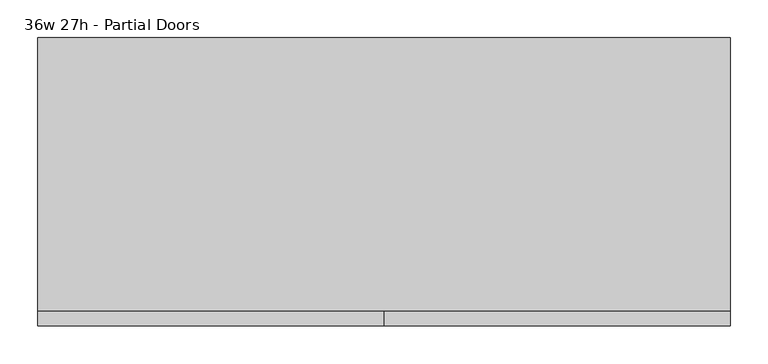
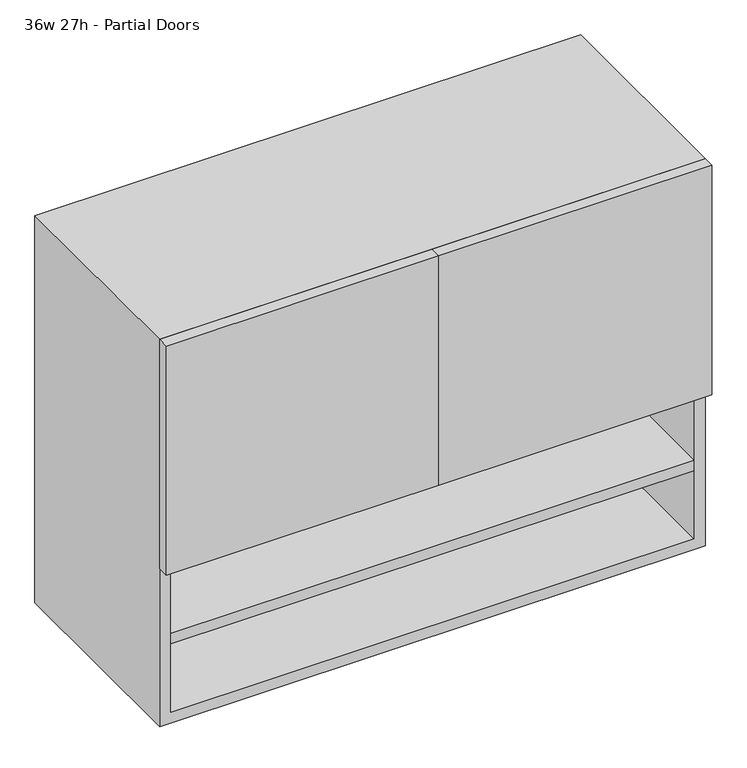
"""IFC4 building model written with IfcOpenShell, lengths in millimetres: furniture geometry, 36w 27h - Partial Doors."""

from ifc_helpers import new_model, si_unit, frame, origin, place, context, project, spatial, polyline, outline, extrude, source, transform, mapped, element, save


def furniture_36w_27h_partial_doors_bdae35b2(model_context):
    return source(origin(), model_context, "Body", "SweptSolid", [
        extrude(outline(polyline([(438.1569453, 161.925), (438.1569453, -180.975), (-438.1291641, -180.975), (-438.1291641, 161.925), (438.1569453, 161.925)])), frame((0.0, 0.0, 1016.0), z_axis=(0.0, 0.0, 1.0), x_axis=(1.0, 0.0, 0.0)), (0.0, 0.0, 1.0), 19.05),
        extrude(outline(polyline([(438.1569453, 161.925), (438.1569453, -180.975), (-438.1291641, -180.975), (-438.1291641, 161.925), (438.1569453, 161.925)])), frame((0.0, 0.0, 876.3), z_axis=(0.0, 0.0, 1.0), x_axis=(1.0, 0.0, 0.0)), (0.0, 0.0, 1.0), 19.05),
        extrude(outline(polyline([(0.0138906, -200.025), (0.0138906, -180.975), (457.2138906, -180.975), (457.2138906, -200.025), (0.0138906, -200.025)])), frame((0.0, 0.0, 1016.0), z_axis=(0.0, 0.0, 1.0), x_axis=(1.0, 0.0, 0.0)), (0.0, 0.0, 1.0), 406.4),
        extrude(outline(polyline([(0.0138906, -200.025), (-457.1861094, -200.025), (-457.1861094, -180.975), (0.0138906, -180.975), (0.0138906, -200.025)])), frame((0.0, 0.0, 1016.0), z_axis=(0.0, 0.0, 1.0), x_axis=(1.0, 0.0, 0.0)), (0.0, 0.0, 1.0), 406.4),
        extrude(outline(polyline([(736.6, -457.1861094), (736.6, 457.2138906), (1422.4, 457.2138906), (1422.4, -457.1861094), (736.6, -457.1861094)]), holes=[polyline([(755.65, -438.1361094), (1403.35, -438.1361094), (1403.35, 438.1569453), (755.65, 438.1569453), (755.65, -438.1361094)])]), frame((0.0, -180.975, 0.0), z_axis=(0.0, 1.0, 0.0), x_axis=(0.0, 0.0, 1.0)), (0.0, 0.0, 1.0), 361.95),
        extrude(outline(polyline([(-438.1291641, 161.925), (-438.1291641, 180.975), (438.1569453, 180.975), (438.1569453, 161.925), (-438.1291641, 161.925)])), frame((0.0, 0.0, 755.65), z_axis=(0.0, 0.0, 1.0), x_axis=(1.0, 0.0, 0.0)), (0.0, 0.0, 1.0), 647.7),
    ])


if __name__ == "__main__":
    model = new_model("IFC4")
    model_context = context("Model", 3, world=origin())
    ifc_project = project(units=[si_unit("LENGTHUNIT", "METRE", prefix="MILLI")], contexts=[model_context])
    site = spatial("IfcSite", under=ifc_project)
    building = spatial("IfcBuilding", under=site)
    placement = place(None, origin())
    furniture_36w_27h_partial_doors_shape = furniture_36w_27h_partial_doors_bdae35b2(model_context)
    element("IfcFurniture", 1, ObjectType="36w 27h - Partial Doors", at=placement, inside=building, context=model_context, shape_type="MappedRepresentation", body=[
        mapped(furniture_36w_27h_partial_doors_shape, transform((0.0, 0.0, 0.0), x_axis=(1.0, 0.0, 0.0), y_axis=(0.0, 1.0, 0.0), z_axis=(0.0, 0.0, 1.0))),
    ])
    save(model, "model.ifc")
